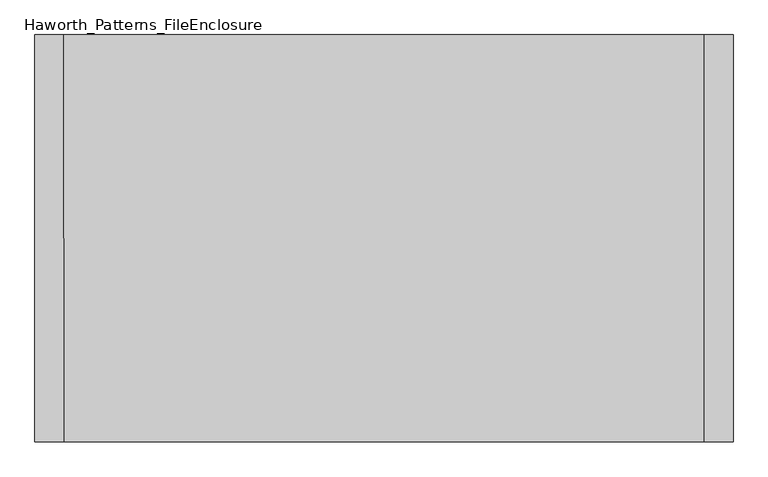
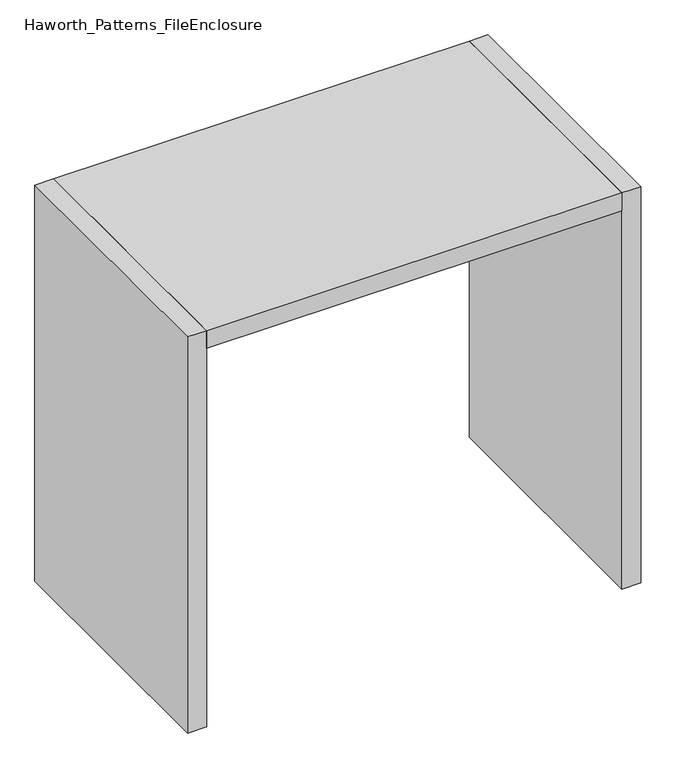
"""IFC4 building model written with IfcOpenShell, lengths in millimetres: furniture geometry, Haworth_Patterns_FileEnclosure."""

from ifc_helpers import new_model, si_unit, frame, origin, origin_with_axes, place, context, project, spatial, polyline, outline, extrude, source, transform, mapped, element, save


def haworth_patterns_fileenclosure_ba0a7fa1(model_context):
    return source(origin(), model_context, "Body", "SweptSolid", [
        extrude(outline(polyline([(838.2, 0.0), (838.2, -1066.8), (-838.2, -1066.8), (-838.2, 0.0), (838.2, 0.0)])), frame((0.0, 0.0, 1612.9), z_axis=(0.0, 0.0, 1.0), x_axis=(1.0, 0.0, 0.0)), (0.0, 0.0, 1.0), 76.2),
        extrude(outline(polyline([(838.2, 0.0), (914.4, 0.0), (914.4, -1066.8), (838.2, -1066.8), (838.2, 0.0)])), origin_with_axes(), (0.0, 0.0, 1.0), 1689.1),
        extrude(outline(polyline([(-838.2, 0.0), (-838.2, -1066.8), (-914.4, -1066.8), (-914.4, 0.0), (-838.2, 0.0)])), origin_with_axes(), (0.0, 0.0, 1.0), 1689.1),
    ])


if __name__ == "__main__":
    model = new_model("IFC4")
    model_context = context("Model", 3, world=origin())
    ifc_project = project(units=[si_unit("LENGTHUNIT", "METRE", prefix="MILLI")], contexts=[model_context])
    site = spatial("IfcSite", under=ifc_project)
    building = spatial("IfcBuilding", under=site)
    placement = place(None, origin())
    haworth_patterns_fileenclosure_shape = haworth_patterns_fileenclosure_ba0a7fa1(model_context)
    element("IfcFurniture", 1, ObjectType="Haworth_Patterns_FileEnclosure", at=placement, inside=building, context=model_context, shape_type="MappedRepresentation", body=[
        mapped(haworth_patterns_fileenclosure_shape, transform((0.0, 0.0, 0.0), x_axis=(1.0, 0.0, 0.0), y_axis=(0.0, 1.0, 0.0), z_axis=(0.0, 0.0, 1.0))),
    ])
    save(model, "model.ifc")
